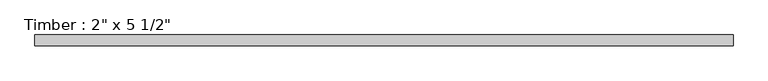
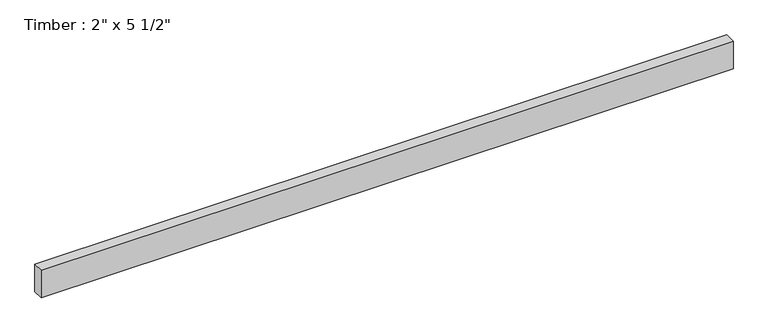
"""IFC4 building model written with IfcOpenShell, lengths in millimetres: beam geometry."""

from ifc_helpers import new_model, si_unit, frame, origin, place, context, project, spatial, polyline, outline, extrude, source, transform, mapped, element, save


def beam_9fe0bc4d(model_context):
    return source(origin(), model_context, "Body", "SweptSolid", [
        extrude(outline(polyline([(1645.3180506, 25.4), (1645.3180506, -25.4), (-1645.3180506, -25.4), (-1645.3180506, 25.4), (1645.3180506, 25.4)])), frame((0.0, 0.0, -69.85), z_axis=(0.0, 0.0, 1.0), x_axis=(1.0, 0.0, 0.0)), (0.0, 0.0, 1.0), 139.7),
    ])


if __name__ == "__main__":
    model = new_model("IFC4")
    model_context = context("Model", 3, world=origin())
    ifc_project = project(units=[si_unit("LENGTHUNIT", "METRE", prefix="MILLI")], contexts=[model_context])
    site = spatial("IfcSite", under=ifc_project)
    building = spatial("IfcBuilding", under=site)
    placement = place(None, origin())
    beam_shape = beam_9fe0bc4d(model_context)
    element("IfcBeam", 1, ObjectType="Timber : 2\" x 5 1/2\"", at=placement, inside=building, context=model_context, shape_type="MappedRepresentation", body=[
        mapped(beam_shape, transform((0.0, 0.0, 0.0), x_axis=(1.0, 0.0, 0.0), y_axis=(0.0, 1.0, 0.0), z_axis=(0.0, 0.0, 1.0))),
    ])
    save(model, "model.ifc")
